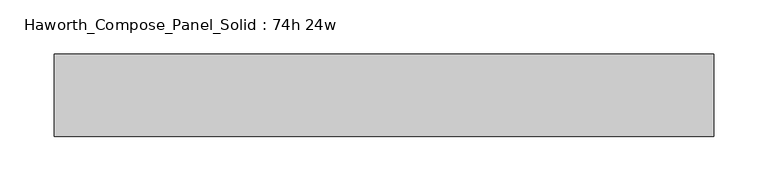
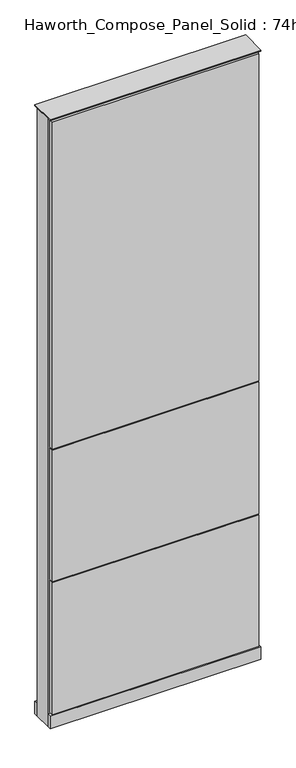
"""IFC4 building model written with IfcOpenShell, lengths in millimetres: furniture geometry, Haworth_Compose_Panel_Solid : 74h 24w."""

from ifc_helpers import new_model, si_unit, point, frame, frame_2d, origin, origin_with_axes, place, context, project, spatial, polyline, circle_curve, trimmed, segment, composite_curve, outline, extrude, source, transform, mapped, element, save


def haworth_compose_panel_solid_74h_24w_34b86b1c(model_context):
    return source(origin(), model_context, "Body", "SweptSolid", [
        extrude(outline(composite_curve([segment(trimmed(circle_curve(frame_2d((-226.1597098, 0.0)), 12.7), [point((-238.8597098, 0.0))], [point((-213.4597098, 0.0))], False, "CARTESIAN"), True, "CONTINUOUS"), segment(trimmed(circle_curve(frame_2d((-226.1597098, 0.0)), 12.7), [point((-213.4597098, 0.0))], [point((-238.8597098, 0.0))], False, "CARTESIAN"), True, "CONTINUOUS")], self_intersect=False)), origin_with_axes(), (0.0, 0.0, 1.0), 12.7),
        extrude(outline(composite_curve([segment(trimmed(circle_curve(frame_2d((231.0402902, 0.0)), 12.7), [point((218.3402902, 0.0))], [point((243.7402902, 0.0))], False, "CARTESIAN"), True, "CONTINUOUS"), segment(trimmed(circle_curve(frame_2d((231.0402902, 0.0)), 12.7), [point((243.7402902, 0.0))], [point((218.3402902, 0.0))], False, "CARTESIAN"), True, "CONTINUOUS")], self_intersect=False)), origin_with_axes(), (0.0, 0.0, 1.0), 12.7),
        extrude(outline(polyline([(300.8902902, 38.1), (300.8902902, 25.4), (-296.0097098, 25.4), (-296.0097098, 38.1), (300.8902902, 38.1)])), frame((0.0, 0.0, 866.775), z_axis=(0.0, 0.0, 1.0), x_axis=(1.0, 0.0, 0.0)), (0.0, 0.0, 1.0), 1000.125),
        extrude(outline(polyline([(300.8902902, 38.1), (300.8902902, 25.4), (-296.0097098, 25.4), (-296.0097098, 38.1), (300.8902902, 38.1)])), frame((0.0, 0.0, 460.375), z_axis=(0.0, 0.0, 1.0), x_axis=(1.0, 0.0, 0.0)), (0.0, 0.0, 1.0), 403.225),
        extrude(outline(polyline([(300.8902902, 38.1), (300.8902902, 25.4), (-296.0097098, 25.4), (-296.0097098, 38.1), (300.8902902, 38.1)])), frame((0.0, 0.0, 53.975), z_axis=(0.0, 0.0, 1.0), x_axis=(1.0, 0.0, 0.0)), (0.0, 0.0, 1.0), 403.225),
        extrude(outline(polyline([(300.8902902, -38.1), (-296.0097098, -38.1), (-296.0097098, -25.4), (300.8902902, -25.4), (300.8902902, -38.1)])), frame((0.0, 0.0, 866.775), z_axis=(0.0, 0.0, 1.0), x_axis=(1.0, 0.0, 0.0)), (0.0, 0.0, 1.0), 1000.125),
        extrude(outline(polyline([(300.8902902, -38.1), (-296.0097098, -38.1), (-296.0097098, -25.4), (300.8902902, -25.4), (300.8902902, -38.1)])), frame((0.0, 0.0, 460.375), z_axis=(0.0, 0.0, 1.0), x_axis=(1.0, 0.0, 0.0)), (0.0, 0.0, 1.0), 403.225),
        extrude(outline(polyline([(300.8902902, -38.1), (-296.0097098, -38.1), (-296.0097098, -25.4), (300.8902902, -25.4), (300.8902902, -38.1)])), frame((0.0, 0.0, 53.975), z_axis=(0.0, 0.0, 1.0), x_axis=(1.0, 0.0, 0.0)), (0.0, 0.0, 1.0), 403.225),
        extrude(outline(polyline([(307.2402902, 25.4), (307.2402902, -25.4), (-302.3597098, -25.4), (-302.3597098, 25.4), (307.2402902, 25.4)])), frame((0.0, 0.0, 12.7), z_axis=(0.0, 0.0, 1.0), x_axis=(1.0, 0.0, 0.0)), (0.0, 0.0, 1.0), 1860.55),
        extrude(outline(polyline([(-302.3597098, -38.1), (-302.3597098, 38.1), (307.2402902, 38.1), (307.2402902, -38.1), (-302.3597098, -38.1)])), frame((0.0, 0.0, 12.7), z_axis=(0.0, 0.0, 1.0), x_axis=(1.0, 0.0, 0.0)), (0.0, 0.0, 1.0), 38.1),
        extrude(outline(polyline([(-302.3597098, -38.1), (-302.3597098, 38.1), (307.2402902, 38.1), (307.2402902, -38.1), (-302.3597098, -38.1)])), frame((0.0, 0.0, 1873.25), z_axis=(0.0, 0.0, 1.0), x_axis=(1.0, 0.0, 0.0)), (0.0, 0.0, 1.0), 3.175),
    ])


if __name__ == "__main__":
    model = new_model("IFC4")
    model_context = context("Model", 3, world=origin())
    ifc_project = project(units=[si_unit("LENGTHUNIT", "METRE", prefix="MILLI")], contexts=[model_context])
    site = spatial("IfcSite", under=ifc_project)
    building = spatial("IfcBuilding", under=site)
    placement = place(None, origin())
    haworth_compose_panel_solid_74h_24w_shape = haworth_compose_panel_solid_74h_24w_34b86b1c(model_context)
    element("IfcFurniture", 1, ObjectType="Haworth_Compose_Panel_Solid : 74h 24w", at=placement, inside=building, context=model_context, shape_type="MappedRepresentation", body=[
        mapped(haworth_compose_panel_solid_74h_24w_shape, transform((0.0, 0.0, 0.0), x_axis=(1.0, 0.0, 0.0), y_axis=(0.0, 1.0, 0.0), z_axis=(0.0, 0.0, 1.0))),
    ])
    save(model, "model.ifc")
